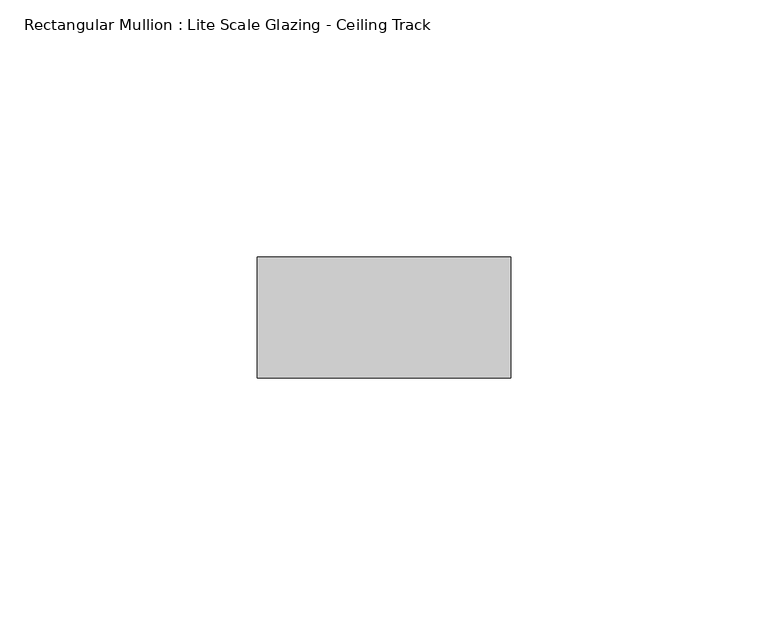
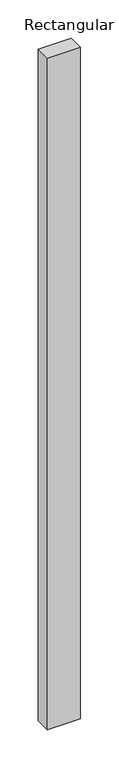
"""IFC4 building model written with IfcOpenShell, lengths in millimetres: member geometry, Rectangular Mullion : Lite Scale Glazing - Ceiling Track."""

from ifc_helpers import new_model, si_unit, frame, origin, place, context, project, spatial, polyline, outline, extrude, source, transform, mapped, element, save


def rectangular_mullion_lite_scale_glazing_ceiling_track_17b1c594(model_context):
    return source(origin(), model_context, "Body", "SweptSolid", [
        extrude(outline(polyline([(-49.276, -11.7474999), (-49.276, 11.7474999), (0.0, 11.7474999), (0.0, -11.7474999), (-49.276, -11.7474999)])), frame((0.0, 0.0, -1066.8), z_axis=(0.0, 0.0, 1.0), x_axis=(1.0, 0.0, 0.0)), (0.0, 0.0, 1.0), 1066.8),
    ])


if __name__ == "__main__":
    model = new_model("IFC4")
    model_context = context("Model", 3, world=origin())
    ifc_project = project(units=[si_unit("LENGTHUNIT", "METRE", prefix="MILLI")], contexts=[model_context])
    site = spatial("IfcSite", under=ifc_project)
    building = spatial("IfcBuilding", under=site)
    placement = place(None, origin())
    rectangular_mullion_lite_scale_glazing_ceiling_track_shape = rectangular_mullion_lite_scale_glazing_ceiling_track_17b1c594(model_context)
    element("IfcMember", 1, ObjectType="Rectangular Mullion : Lite Scale Glazing - Ceiling Track", at=placement, inside=building, context=model_context, shape_type="MappedRepresentation", body=[
        mapped(rectangular_mullion_lite_scale_glazing_ceiling_track_shape, transform((0.0, 0.0, 0.0), x_axis=(1.0, 0.0, 0.0), y_axis=(0.0, 1.0, 0.0), z_axis=(0.0, 0.0, 1.0))),
    ])
    save(model, "model.ifc")
